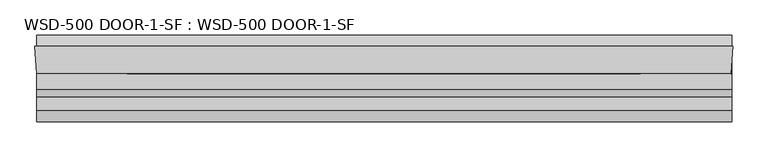
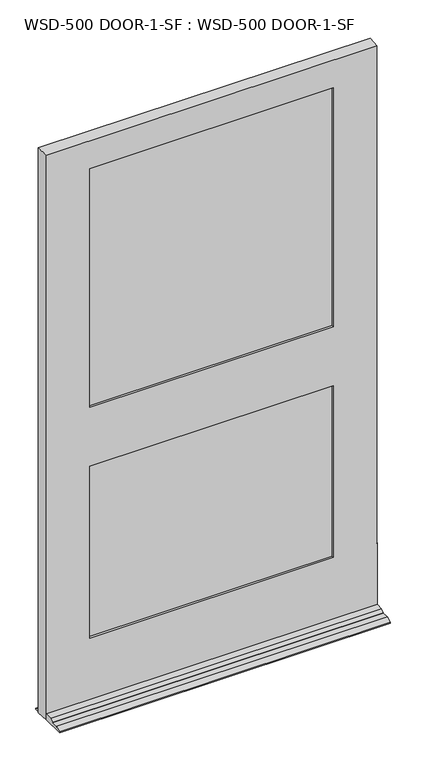
"""IFC4 building model written with IfcOpenShell, lengths in millimetres: plate geometry, WSD-500 DOOR-1-SF : WSD-500 DOOR-1-SF."""

from ifc_helpers import new_model, si_unit, frame, origin, place, context, project, spatial, polyline, outline, extrude, faceted_brep, source, transform, mapped, element, save


def wsd_500_door_1_sf_wsd_500_door_1_sf_825eeeda(model_context):
    return source(origin(), model_context, "Body", "SolidModel", [
        faceted_brep([(570.0313901, 1.8752528, 0.0), (571.4353327, 1.8752528, 0.0), (570.0313901, -20.6651106, 0.0), (570.0313901, -121.9497472, 0.0), (-575.0814, -121.9497472, 0.0), (-575.0814, -42.5747472, 0.0), (-577.85, 1.8752528, 0.0), (-575.0814, 1.8752528, 0.0), (-575.0814, 20.9252528, 0.0), (570.0313901, 20.9252528, 0.0), (570.0313901, -35.1325472, 226.2251), (570.0313901, -35.1325472, 246.0625), (570.0313901, -42.5747472, 246.0625), (570.0313901, -42.5747472, 21.4376), (570.0313901, -68.4446472, 21.4376), (570.0313901, -80.8652472, 14.2748), (570.0313901, -80.8652472, 12.7), (570.0313901, -102.8997472, 12.7), (570.0313901, -121.9497472, 3.175), (570.0313901, -20.6651106, 226.2251), (570.0313901, 20.9252528, 3.175), (570.0313901, 1.8752528, 12.7), (-575.0814, 1.8752528, 12.7), (-575.0814, 20.9252528, 3.175), (-575.0814, -121.9497472, 3.175), (-575.0814, -102.8997472, 12.7), (-575.0814, -80.8652472, 12.7), (-575.0814, -80.8652472, 14.2748), (-575.0814, -68.4446472, 21.4376), (-575.0814, -42.5747472, 21.4376), (571.4353327, 1.8752528, 2066.8418046), (-577.85, 1.8752528, 2066.8418046), (-425.45, 1.8752528, 874.6998), (-425.45, 1.8752528, 246.0625), (419.0353327, 1.8752528, 246.0625), (419.0353327, 1.8752528, 874.6998), (419.0353327, 1.8752528, 1965.2418046), (-425.45, 1.8752528, 1965.2418046), (-425.45, 1.8752528, 1090.5998), (419.0353327, 1.8752528, 1090.5998), (419.0353327, -9.7325472, 1965.2418046), (-425.45, -9.7325472, 1965.2418046), (438.8727327, -9.7325472, 894.5499), (-445.2874, -9.7325472, 894.5499), (-445.2874, -9.7325472, 226.2251), (438.8727327, -9.7325472, 226.2251), (-425.45, -9.7325472, 874.6998), (419.0353327, -9.7325472, 874.6998), (419.0353327, -9.7325472, 246.0625), (-425.45, -9.7325472, 246.0625), (438.8727327, -9.7325472, 1985.1624), (-445.2874, -9.7325472, 1985.1624), (-445.2874, -9.7325472, 1070.7624), (438.8727327, -9.7325472, 1070.7624), (419.0353327, -9.7325472, 1090.5998), (-425.45, -9.7325472, 1090.5998), (438.8727327, -35.1325472, 1985.1624), (-445.2874, -35.1325472, 1985.1624), (569.1302755, -35.1325472, 226.2251), (569.1302755, -35.1325472, 246.0625), (-445.2874, -35.1325472, 894.5499), (438.8727327, -35.1325472, 894.5499), (438.8727327, -35.1325472, 226.2251), (-445.2874, -35.1325472, 226.2251), (419.0353327, -35.1325472, 874.6998), (-425.45, -35.1325472, 874.6998), (-425.45, -35.1325472, 246.0625), (419.0353327, -35.1325472, 246.0625), (438.8727327, -35.1325472, 1070.7624), (-445.2874, -35.1325472, 1070.7624), (419.0353327, -35.1325472, 1965.2418046), (-425.45, -35.1325472, 1965.2418046), (-425.45, -35.1325472, 1090.5998), (419.0353327, -35.1325472, 1090.5998), (419.0353327, -42.5747472, 1965.2418046), (-425.45, -42.5747472, 1965.2418046), (568.6667327, -42.5747472, 2066.8418046), (-575.0814, -42.5747472, 2066.8418046), (568.6667327, -42.5747472, 246.0625), (419.0353327, -42.5747472, 874.6998), (419.0353327, -42.5747472, 246.0625), (-425.45, -42.5747472, 246.0625), (-425.45, -42.5747472, 874.6998), (419.0353327, -42.5747472, 1090.5998), (-425.45, -42.5747472, 1090.5998)], [[[0, 1, 2, 3, 4, 5, 6, 7, 8, 9]], [[10, 11, 12, 13, 14, 15, 16, 17, 18, 3, 2, 19]], [[9, 20, 21, 0]], [[22, 23, 8, 7]], [[4, 24, 25, 26, 27, 28, 29, 5]], [[30, 1, 0, 21, 22, 7, 6, 31], [32, 33, 34, 35], [36, 37, 38, 39]], [[36, 40, 41, 37]], [[42, 43, 44, 45], [46, 47, 48, 49]], [[50, 51, 52, 53], [41, 40, 54, 55]], [[50, 56, 57, 51]], [[11, 10, 58, 59]], [[60, 61, 62, 63], [64, 65, 66, 67]], [[57, 56, 68, 69], [70, 71, 72, 73]], [[70, 74, 75, 71]], [[76, 77, 29, 13, 12, 78], [79, 80, 81, 82], [75, 74, 83, 84]], [[76, 30, 31, 77]], [[56, 50, 53, 68]], [[62, 61, 42, 45]], [[74, 70, 73, 83]], [[79, 64, 67, 80]], [[30, 76, 78, 59, 58, 19, 2, 1]], [[40, 36, 39, 54]], [[47, 35, 34, 48]], [[29, 77, 31, 6, 5]], [[71, 75, 84, 72]], [[65, 82, 81, 66]], [[44, 43, 60, 63]], [[51, 57, 69, 52]], [[37, 41, 55, 38]], [[32, 46, 49, 33]], [[39, 38, 55, 54]], [[68, 53, 52, 69]], [[73, 72, 84, 83]], [[65, 64, 79, 82]], [[42, 61, 60, 43]], [[32, 35, 47, 46]], [[10, 19, 58]], [[63, 62, 45, 44]], [[12, 11, 59, 78]], [[67, 66, 81, 80]], [[14, 13, 29, 28]], [[15, 14, 28, 27]], [[16, 15, 27, 26]], [[17, 16, 26, 25]], [[18, 17, 25, 24]], [[3, 18, 24, 4]], [[20, 9, 8, 23]], [[22, 21, 20, 23]], [[34, 33, 49, 48]]]),
        extrude(outline(polyline([(-443.3912802, -9.7325472), (438.2588756, -9.7325472), (438.2588756, -14.8125472), (-443.3912802, -14.8125472), (-443.3912802, -9.7325472)])), frame((0.0, 0.0, 1070.7624), z_axis=(0.0, 0.0, 1.0), x_axis=(1.0, 0.0, 0.0)), (0.0, 0.0, 1.0), 914.4),
        extrude(outline(polyline([(438.2588756, -24.2105472), (438.2588756, -29.2905472), (-443.3912802, -29.2905472), (-443.3912802, -24.2105472), (438.2588756, -24.2105472)])), frame((0.0, 0.0, 1070.7624), z_axis=(0.0, 0.0, 1.0), x_axis=(1.0, 0.0, 0.0)), (0.0, 0.0, 1.0), 914.4),
        extrude(outline(polyline([(-443.3912802, -30.0525472), (438.2588756, -30.0525472), (438.2588756, -35.1325472), (-443.3912802, -35.1325472), (-443.3912802, -30.0525472)])), frame((0.0, 0.0, 1070.7624), z_axis=(0.0, 0.0, 1.0), x_axis=(1.0, 0.0, 0.0)), (0.0, 0.0, 1.0), 914.4),
        extrude(outline(polyline([(-445.2874, -9.7325472), (438.8727327, -9.7325472), (438.8727327, -14.8125472), (-445.2874, -14.8125472), (-445.2874, -9.7325472)])), frame((0.0, 0.0, 226.21875), z_axis=(0.0, 0.0, 1.0), x_axis=(1.0, 0.0, 0.0)), (0.0, 0.0, 1.0), 668.33115),
        extrude(outline(polyline([(438.8727327, -24.2105472), (438.8727327, -29.2905472), (-445.2874, -29.2905472), (-445.2874, -24.2105472), (438.8727327, -24.2105472)])), frame((0.0, 0.0, 226.21875), z_axis=(0.0, 0.0, 1.0), x_axis=(1.0, 0.0, 0.0)), (0.0, 0.0, 1.0), 668.33115),
        extrude(outline(polyline([(-445.2874, -30.0525472), (438.8727327, -30.0525472), (438.8727327, -35.1325472), (-445.2874, -35.1325472), (-445.2874, -30.0525472)])), frame((0.0, 0.0, 226.21875), z_axis=(0.0, 0.0, 1.0), x_axis=(1.0, 0.0, 0.0)), (0.0, 0.0, 1.0), 668.33115),
    ])


if __name__ == "__main__":
    model = new_model("IFC4")
    model_context = context("Model", 3, world=origin())
    ifc_project = project(units=[si_unit("LENGTHUNIT", "METRE", prefix="MILLI")], contexts=[model_context])
    site = spatial("IfcSite", under=ifc_project)
    building = spatial("IfcBuilding", under=site)
    placement = place(None, origin())
    wsd_500_door_1_sf_wsd_500_door_1_sf_shape = wsd_500_door_1_sf_wsd_500_door_1_sf_825eeeda(model_context)
    element("IfcPlate", 1, ObjectType="WSD-500 DOOR-1-SF : WSD-500 DOOR-1-SF", at=placement, inside=building, context=model_context, shape_type="MappedRepresentation", body=[
        mapped(wsd_500_door_1_sf_wsd_500_door_1_sf_shape, transform((0.0, 0.0, 0.0), x_axis=(1.0, 0.0, 0.0), y_axis=(0.0, 1.0, 0.0), z_axis=(0.0, 0.0, 1.0))),
    ])
    save(model, "model.ifc")
